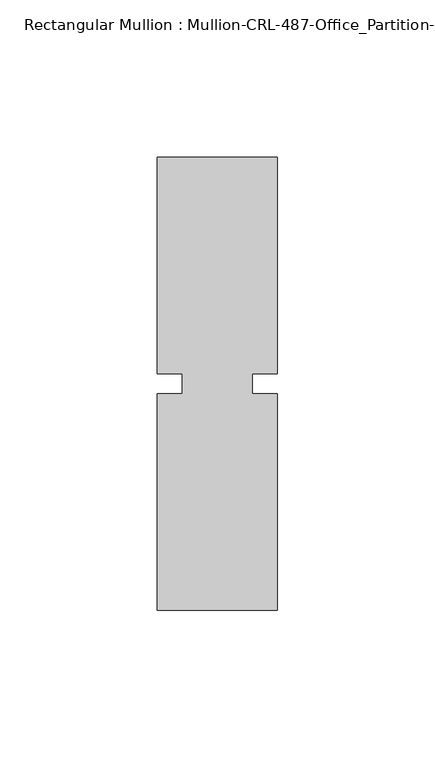
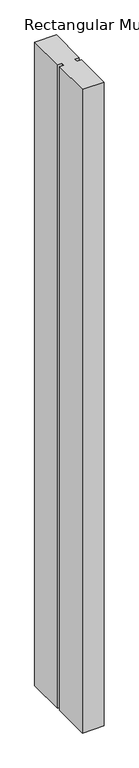
"""IFC4 building model written with IfcOpenShell, lengths in millimetres: member geometry, Rectangular Mullion : Mullion-CRL-487-Office_Partition-Intermediate_Vertical."""

from ifc_helpers import new_model, si_unit, frame, origin, place, context, project, spatial, polyline, outline, extrude, source, transform, mapped, element, save


def rectangular_mullion_mullion_crl_487_office_partition_4e19a52a(model_context):
    return source(origin(), model_context, "Body", "SweptSolid", [
        extrude(outline(polyline([(-19.05, 3.175), (-19.05, 71.9452142), (19.05, 71.9452142), (19.05, 3.175), (11.1125, 3.175), (11.1125, -3.175), (19.05, -3.175), (19.05, -71.9452143), (-19.05, -71.9452143), (-19.05, -3.175), (-11.1125, -3.175), (-11.1125, 3.175), (-19.05, 3.175)])), frame((0.0, 0.0, -1187.45), z_axis=(0.0, 0.0, 1.0), x_axis=(1.0, 0.0, 0.0)), (0.0, 0.0, 1.0), 1187.45),
    ])


if __name__ == "__main__":
    model = new_model("IFC4")
    model_context = context("Model", 3, world=origin())
    ifc_project = project(units=[si_unit("LENGTHUNIT", "METRE", prefix="MILLI")], contexts=[model_context])
    site = spatial("IfcSite", under=ifc_project)
    building = spatial("IfcBuilding", under=site)
    placement = place(None, origin())
    rectangular_mullion_mullion_crl_487_office_partition_shape = rectangular_mullion_mullion_crl_487_office_partition_4e19a52a(model_context)
    element("IfcMember", 1, ObjectType="Rectangular Mullion : Mullion-CRL-487-Office_Partition-Intermediate_Vertical", at=placement, inside=building, context=model_context, shape_type="MappedRepresentation", body=[
        mapped(rectangular_mullion_mullion_crl_487_office_partition_shape, transform((0.0, 0.0, 0.0), x_axis=(1.0, 0.0, 0.0), y_axis=(0.0, 1.0, 0.0), z_axis=(0.0, 0.0, 1.0))),
    ])
    save(model, "model.ifc")
